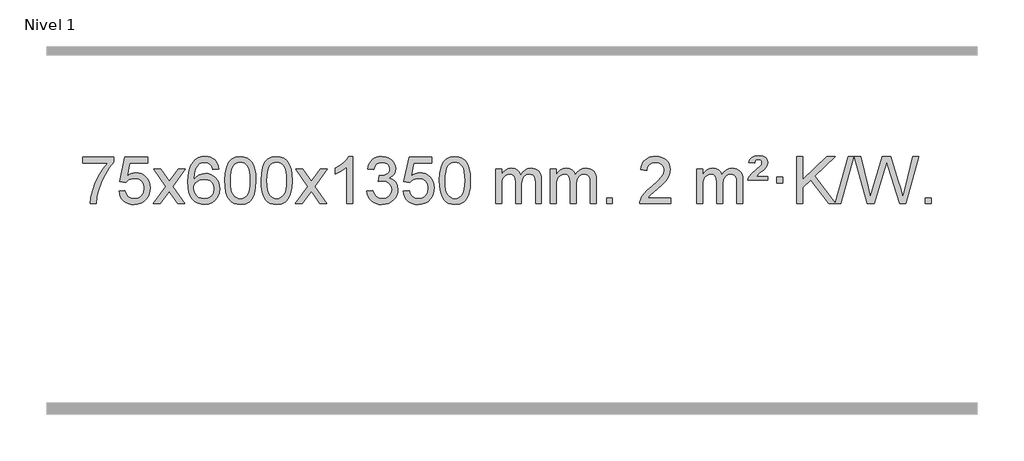
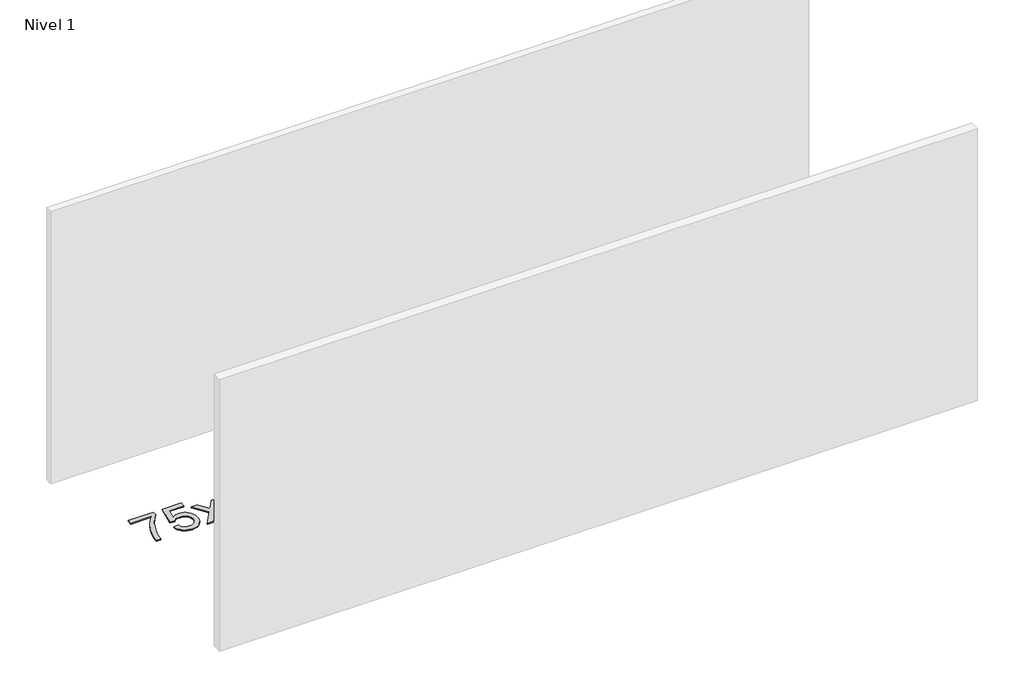
# One storey, part 18 of 25: 1 proxy.
"""IFC4 building model written with IfcOpenShell, lengths in millimetres."""

from ifc_helpers import new_model, si_unit, origin, origin_with_axes, place, context, project, spatial, polyline, outline, extrude, element, save

model = new_model("IFC4")

# Units and contexts
model_context = context("Model", 3, world=origin())
ifc_project = project(units=[si_unit("LENGTHUNIT", "METRE", prefix="MILLI")], contexts=[model_context])

# Site, building, storey
site = spatial("IfcSite", under=ifc_project)
building = spatial("IfcBuilding", under=site)
storey = spatial("IfcBuildingStorey", under=building, Name="Nivel 1", Elevation=0.0)

# Proxy
placement = place(None, origin())
element("IfcBuildingElementProxy", 1, Name="Texto de modelo 1", ObjectType="Texto de modelo 1", at=placement, inside=storey, context=model_context, shape_type="SweptSolid", body=[
    extrude(outline(polyline([(76.1355068, -15115.2608869), (76.1355068, -15065.0327318), (339.8333209, -15065.0327318), (339.8333209, -15105.646904), (302.2480437, -15153.214046), (265.0306485, -15213.7061088), (232.2033118, -15281.6048623), (207.7882101, -15351.3920768), (195.8197825, -15403.6067947), (189.1488557, -15460.579453), (138.9207006, -15460.579453), (144.3530914, -15408.8061935), (158.8844302, -15347.2717985), (182.1223096, -15282.0463207), (213.674322, -15219.1998132), (250.5115725, -15162.3865704), (289.6051658, -15115.2608869), (76.1355068, -15115.2608869)])), origin_with_axes(), (0.0, 0.0, 1.0), 10.0),
    extrude(outline(polyline([(383.7829566, -15353.8446235), (434.0111117, -15347.5661041), (443.232687, -15377.7201649), (459.3213929, -15399.3148381), (482.203653, -15412.3010725), (511.8058909, -15416.6298173), (530.9357547, -15415.1245668), (547.8092755, -15410.6088153), (562.4264534, -15403.0825628), (574.7872885, -15392.5458094), (584.6158691, -15379.519721), (591.6362839, -15364.5254641), (597.2526157, -15328.6324441), (591.9919031, -15294.8363514), (585.4160125, -15280.9181493), (576.2097655, -15268.9865099), (564.3425055, -15259.4154467), (549.7835755, -15252.5789729), (512.5907058, -15247.1097939), (488.224655, -15249.2925604), (468.4939173, -15255.8408599), (452.7363052, -15265.8717757), (440.2896311, -15278.5023908), (390.061476, -15272.2238715), (434.0111117, -15065.0327318), (628.6452126, -15065.0327318), (628.6452126, -15115.2608869), (474.6252839, -15115.2608869), (453.0428735, -15225.919791), (470.7686544, -15213.2155994), (488.9236308, -15204.1411769), (507.5078029, -15198.6965234), (526.5211707, -15196.8816388), (550.9853234, -15199.1318504), (573.4629133, -15205.882485), (593.9539404, -15217.1335427), (612.4584048, -15232.8850234), (627.7806899, -15252.1743027), (638.7251792, -15274.038756), (645.2918729, -15298.4783832), (647.4807707, -15325.4931844), (645.5126021, -15351.5147042), (639.608096, -15375.7213394), (629.7672527, -15398.1130902), (615.9900719, -15418.6899565), (595.1189001, -15439.7634634), (570.765112, -15454.8159684), (542.9287077, -15463.8474714), (511.6096872, -15466.8579724), (485.6893349, -15464.9235262), (462.2767116, -15459.1201877), (441.3718173, -15449.447957), (422.9746518, -15435.9068338), (407.6676951, -15419.1712688), (396.033427, -15399.915712), (388.0718475, -15378.1401636), (383.7829566, -15353.8446235)])), origin_with_axes(), (0.0, 0.0, 1.0), 10.0),
    extrude(outline(polyline([(672.5948483, -15460.579453), (779.918289, -15312.1513307), (678.8733677, -15165.4890419), (739.107913, -15165.4890419), (787.8645401, -15236.2204869), (810.7222747, -15269.4770192), (830.5388515, -15242.2047007), (886.0645073, -15165.4890419), (946.4952564, -15165.4890419), (840.3490381, -15312.2494325), (942.5711818, -15460.579453), (882.2385346, -15460.579453), (820.6305631, -15371.3067555), (809.4469505, -15354.923744), (733.0255973, -15460.579453), (672.5948483, -15460.579453)])), origin_with_axes(), (0.0, 0.0, 1.0), 10.0),
    extrude(outline(polyline([(1231.3830735, -15165.4890419), (1181.1549184, -15171.7675613), (1173.0615145, -15146.874213), (1162.1231565, -15129.8780648), (1139.3389983, -15114.2062918), (1111.7968996, -15108.9823675), (1088.4486556, -15112.0235253), (1066.4738378, -15121.1469988), (1047.6014914, -15140.3627017), (1032.1872358, -15166.8134171), (1021.7761754, -15204.227016), (1017.9134144, -15256.3313693), (1038.061085, -15232.8237098), (1062.2064066, -15216.2567573), (1089.0004786, -15206.434308), (1117.0944003, -15203.1601582), (1141.2274592, -15205.398107), (1163.4965826, -15212.1119534), (1183.9017706, -15223.3016975), (1202.4430232, -15238.9673391), (1217.8511474, -15258.1769106), (1228.8569504, -15279.9984443), (1235.4604323, -15304.4319401), (1237.6615929, -15331.4773982), (1233.5167891, -15367.4439945), (1221.0823776, -15400.786366), (1201.3884281, -15429.0642287), (1175.4650102, -15449.8372987), (1144.4893462, -15462.602804), (1109.6386585, -15466.8579724), (1079.6961298, -15464.0375437), (1052.6537375, -15455.5762579), (1028.5114816, -15441.4741147), (1007.269362, -15421.7311143), (989.9513171, -15395.5133908), (977.581285, -15361.9870783), (970.1592658, -15321.1521768), (967.6852593, -15273.0086864), (970.4321116, -15219.0342663), (978.6726683, -15172.9693092), (992.4069294, -15134.8138149), (1011.634895, -15104.5677835), (1032.4754101, -15084.5243462), (1056.6391258, -15070.2076052), (1084.1260422, -15061.6175606), (1114.9361593, -15058.7542124), (1138.0698054, -15060.5261773), (1159.0084223, -15065.8420722), (1177.7520099, -15074.7018969), (1194.3005684, -15087.1056515), (1208.2065078, -15102.6364031), (1219.0222384, -15120.8772186), (1226.7477603, -15141.8280983), (1231.3830735, -15165.4890419)]), holes=[polyline([(1017.9134144, -15330.6925832), (1020.8196822, -15352.9494439), (1029.5384855, -15374.2007605), (1043.0765429, -15392.472233), (1060.4405731, -15405.7895612), (1081.397584, -15413.9197533), (1105.7145839, -15416.6298173), (1138.8607517, -15411.0134855), (1152.7758882, -15403.9930708), (1164.9190597, -15394.1644901), (1174.7691001, -15381.9262824), (1181.8048433, -15367.6769865), (1187.4334378, -15333.1451299), (1181.8784197, -15299.9989621), (1174.934647, -15286.3781312), (1165.2133653, -15274.725469), (1153.0334056, -15265.3904634), (1138.7135989, -15258.7226022), (1103.6544448, -15253.3883133), (1070.5573279, -15258.7226022), (1042.8803391, -15274.725469), (1031.9573096, -15286.2248471), (1024.1551456, -15299.3858254), (1019.4738472, -15314.2084042), (1017.9134144, -15330.6925832)])]), origin_with_axes(), (0.0, 0.0, 1.0), 10.0),
    extrude(outline(polyline([(1281.6112286, -15262.9041943), (1285.3023112, -15198.5861588), (1296.3755593, -15147.2911459), (1314.7206081, -15108.2343407), (1326.5786711, -15093.0009605), (1340.2270931, -15080.6309284), (1355.7118594, -15071.0598651), (1373.0789553, -15064.2233914), (1413.4601356, -15058.7542124), (1444.4112742, -15061.991574), (1472.1250511, -15071.7036586), (1495.3016168, -15087.5103217), (1512.6411215, -15109.0314184), (1525.7377206, -15136.0830078), (1536.1855692, -15168.4811488), (1543.0281743, -15209.6226186), (1545.3090427, -15262.9041943), (1541.6547482, -15326.8543477), (1530.6918648, -15378.0267333), (1512.4571805, -15417.1203266), (1500.6267087, -15432.3996922), (1486.9874837, -15444.8341036), (1471.4843233, -15454.4695462), (1454.0620452, -15461.3520052), (1413.4601356, -15466.8579724), (1385.7954096, -15464.4667394), (1361.2699432, -15457.2930405), (1339.8837366, -15445.3368757), (1321.6367896, -15428.5982449), (1304.1256067, -15398.3399508), (1291.6176188, -15360.6381776), (1284.1128261, -15315.4929255), (1281.6112286, -15262.9041943)]), holes=[polyline([(1331.8393836, -15262.8060924), (1333.3109116, -15306.4706195), (1337.7254956, -15341.8148822), (1345.0831355, -15368.8388804), (1355.3838313, -15387.5426142), (1367.8427682, -15400.2682656), (1381.6751312, -15409.3580165), (1396.8809204, -15414.8118671), (1413.4601356, -15416.6298173), (1430.0393509, -15414.8057357), (1445.24514, -15409.3334911), (1459.077503, -15400.2130833), (1471.5364399, -15387.4445124), (1481.8371358, -15368.7101217), (1489.1947757, -15341.6922549), (1493.6093596, -15306.3909118), (1495.0808876, -15262.8060924), (1493.6584106, -15220.2973278), (1489.3909794, -15185.5753989), (1482.2785942, -15158.6403055), (1472.3212549, -15139.4920476), (1460.0707844, -15126.1440625), (1446.0790059, -15116.6097875), (1430.3459192, -15110.8892225), (1412.8715244, -15108.9823675), (1396.3781483, -15110.6623619), (1381.4298766, -15115.7023452), (1368.0267092, -15124.1023175), (1356.1686462, -15135.8622786), (1345.5245938, -15156.708925), (1337.9216993, -15184.8151094), (1333.3599625, -15220.1808319), (1331.8393836, -15262.8060924)])]), origin_with_axes(), (0.0, 0.0, 1.0), 10.0),
    extrude(outline(polyline([(1589.2586784, -15262.9041943), (1592.9497611, -15198.5861588), (1604.0230091, -15147.2911459), (1622.368058, -15108.2343407), (1634.2261209, -15093.0009605), (1647.874543, -15080.6309284), (1663.3593093, -15071.0598651), (1680.7264051, -15064.2233914), (1721.1075855, -15058.7542124), (1752.058724, -15061.991574), (1779.772501, -15071.7036586), (1802.9490667, -15087.5103217), (1820.2885714, -15109.0314184), (1833.3851704, -15136.0830078), (1843.833019, -15168.4811488), (1850.6756242, -15209.6226186), (1852.9564925, -15262.9041943), (1849.302198, -15326.8543477), (1838.3393146, -15378.0267333), (1820.1046304, -15417.1203266), (1808.2741585, -15432.3996922), (1794.6349336, -15444.8341036), (1779.1317731, -15454.4695462), (1761.709495, -15461.3520052), (1721.1075855, -15466.8579724), (1693.4428594, -15464.4667394), (1668.9173931, -15457.2930405), (1647.5311864, -15445.3368757), (1629.2842395, -15428.5982449), (1611.7730565, -15398.3399508), (1599.2650687, -15360.6381776), (1591.760276, -15315.4929255), (1589.2586784, -15262.9041943)]), holes=[polyline([(1639.4868335, -15262.8060924), (1640.9583614, -15306.4706195), (1645.3729454, -15341.8148822), (1652.7305853, -15368.8388804), (1663.0312812, -15387.5426142), (1675.4902181, -15400.2682656), (1689.3225811, -15409.3580165), (1704.5283702, -15414.8118671), (1721.1075855, -15416.6298173), (1737.6868007, -15414.8057357), (1752.8925898, -15409.3334911), (1766.7249529, -15400.2130833), (1779.1838898, -15387.4445124), (1789.4845856, -15368.7101217), (1796.8422255, -15341.6922549), (1801.2568095, -15306.3909118), (1802.7283375, -15262.8060924), (1801.3058604, -15220.2973278), (1797.0384293, -15185.5753989), (1789.926044, -15158.6403055), (1779.9687047, -15139.4920476), (1767.7182342, -15126.1440625), (1753.7264557, -15116.6097875), (1737.993369, -15110.8892225), (1720.5189743, -15108.9823675), (1704.0255981, -15110.6623619), (1689.0773264, -15115.7023452), (1675.6741591, -15124.1023175), (1663.8160961, -15135.8622786), (1653.1720437, -15156.708925), (1645.5691491, -15184.8151094), (1641.0074124, -15220.1808319), (1639.4868335, -15262.8060924)])]), origin_with_axes(), (0.0, 0.0, 1.0), 10.0),
    extrude(outline(polyline([(1878.0705701, -15460.579453), (1985.3940108, -15312.1513307), (1884.3490895, -15165.4890419), (1944.5836348, -15165.4890419), (1993.3402619, -15236.2204869), (2016.1979965, -15269.4770192), (2036.0145733, -15242.2047007), (2091.5402291, -15165.4890419), (2151.9709782, -15165.4890419), (2045.8247599, -15312.2494325), (2148.0469036, -15460.579453), (2087.7142564, -15460.579453), (2026.1062849, -15371.3067555), (2014.9226723, -15354.923744), (1938.5013191, -15460.579453), (1878.0705701, -15460.579453)])), origin_with_axes(), (0.0, 0.0, 1.0), 10.0),
    extrude(outline(polyline([(2367.795082, -15460.579453), (2317.566927, -15460.579453), (2317.566927, -15147.4382987), (2296.5976532, -15164.3976587), (2269.9875223, -15181.3324932), (2217.1106168, -15206.6918254), (2217.1106168, -15159.2105225), (2256.5598294, -15137.7507395), (2290.7360668, -15112.219729), (2317.6772916, -15085.0700378), (2335.4214665, -15058.7542124), (2367.795082, -15058.7542124), (2367.795082, -15460.579453)])), origin_with_axes(), (0.0, 0.0, 1.0), 10.0),
    extrude(outline(polyline([(2487.0869503, -15353.8446235), (2537.3151054, -15347.5661041), (2548.5600317, -15379.1303793), (2565.0288824, -15400.4430095), (2587.5309978, -15412.5831154), (2616.8757182, -15416.6298173), (2651.309473, -15411.0625364), (2665.5832944, -15404.1034354), (2677.8950785, -15394.3606939), (2694.8912267, -15369.4428201), (2700.5566094, -15339.2274455), (2694.9402776, -15310.5449126), (2678.0912822, -15287.2825078), (2652.5847972, -15271.8682522), (2620.9959966, -15266.730167), (2585.7774269, -15272.2238715), (2591.3692332, -15221.9957164), (2599.4135862, -15222.5843276), (2629.5063334, -15218.979084), (2656.41077, -15208.1633534), (2667.4840181, -15199.9841103), (2675.3934809, -15189.8673555), (2680.1391587, -15177.8130888), (2681.7210513, -15163.8213102), (2677.1347891, -15142.1285352), (2663.3760024, -15124.5315131), (2642.3822032, -15112.8696539), (2616.0909033, -15108.9823675), (2589.7505525, -15112.9064421), (2568.217193, -15124.6786659), (2552.4963691, -15144.299039), (2543.5936248, -15171.7675613), (2493.3654697, -15165.4890419), (2499.3190267, -15141.5092672), (2508.1543259, -15120.3867093), (2519.8713675, -15102.1213683), (2534.4701513, -15086.713244), (2551.490825, -15074.4811677), (2570.4735359, -15065.7439703), (2591.4182842, -15060.5016519), (2614.3250697, -15058.7542124), (2645.9016077, -15062.2000404), (2674.9029716, -15072.5375245), (2699.3548616, -15088.8469596), (2717.2829775, -15110.2086408), (2728.2826491, -15134.8199463), (2731.9492063, -15160.8782543), (2728.4665901, -15185.1584659), (2718.0187415, -15207.1823347), (2700.7528131, -15225.9443165), (2676.815958, -15240.4388671), (2708.2576058, -15253.1430586), (2731.5567989, -15274.77452), (2745.9777731, -15304.1560286), (2750.7847645, -15340.1103623), (2748.3812688, -15365.5923218), (2741.1707817, -15389.0631931), (2729.1533032, -15410.5229762), (2712.3288333, -15429.971671), (2691.8316748, -15446.1094278), (2668.7961305, -15457.636397), (2643.2222005, -15464.5525785), (2615.1098847, -15466.8579724), (2589.7015015, -15464.8898037), (2566.5494613, -15458.9852977), (2545.653764, -15449.1444543), (2527.0144096, -15435.3672736), (2511.3855561, -15418.4630959), (2499.5213618, -15399.2412617), (2491.4218265, -15377.7017708), (2487.0869503, -15353.8446235)])), origin_with_axes(), (0.0, 0.0, 1.0), 10.0),
    extrude(outline(polyline([(2794.7344002, -15353.8446235), (2844.9625553, -15347.5661041), (2854.1841306, -15377.7201649), (2870.2728365, -15399.3148381), (2893.1550966, -15412.3010725), (2922.7573345, -15416.6298173), (2941.8871983, -15415.1245668), (2958.7607191, -15410.6088153), (2973.377897, -15403.0825628), (2985.7387321, -15392.5458094), (2995.5673127, -15379.519721), (3002.5877275, -15364.5254641), (3008.2040592, -15328.6324441), (3002.9433467, -15294.8363514), (2996.3674561, -15280.9181493), (2987.1612091, -15268.9865099), (2975.2939491, -15259.4154467), (2960.7350191, -15252.5789729), (2923.5421494, -15247.1097939), (2899.1760986, -15249.2925604), (2879.4453609, -15255.8408599), (2863.6877488, -15265.8717757), (2851.2410746, -15278.5023908), (2801.0129196, -15272.2238715), (2844.9625553, -15065.0327318), (3039.5966562, -15065.0327318), (3039.5966562, -15115.2608869), (2885.5767275, -15115.2608869), (2863.9943171, -15225.919791), (2881.7200979, -15213.2155994), (2899.8750744, -15204.1411769), (2918.4592465, -15198.6965234), (2937.4726143, -15196.8816388), (2961.936767, -15199.1318504), (2984.4143569, -15205.882485), (3004.905384, -15217.1335427), (3023.4098484, -15232.8850234), (3038.7321335, -15252.1743027), (3049.6766228, -15274.038756), (3056.2433165, -15298.4783832), (3058.4322143, -15325.4931844), (3056.4640457, -15351.5147042), (3050.5595396, -15375.7213394), (3040.7186963, -15398.1130902), (3026.9415155, -15418.6899565), (3006.0703437, -15439.7634634), (2981.7165556, -15454.8159684), (2953.8801513, -15463.8474714), (2922.5611308, -15466.8579724), (2896.6407785, -15464.9235262), (2873.2281552, -15459.1201877), (2852.3232608, -15449.447957), (2833.9260954, -15435.9068338), (2818.6191387, -15419.1712688), (2806.9848706, -15399.915712), (2799.0232911, -15378.1401636), (2794.7344002, -15353.8446235)])), origin_with_axes(), (0.0, 0.0, 1.0), 10.0),
    extrude(outline(polyline([(3102.38185, -15262.9041943), (3106.0729327, -15198.5861588), (3117.1461808, -15147.2911459), (3135.4912296, -15108.2343407), (3147.3492926, -15093.0009605), (3160.9977146, -15080.6309284), (3176.4824809, -15071.0598651), (3193.8495767, -15064.2233914), (3234.2307571, -15058.7542124), (3265.1818956, -15061.991574), (3292.8956726, -15071.7036586), (3316.0722383, -15087.5103217), (3333.411743, -15109.0314184), (3346.508342, -15136.0830078), (3356.9561907, -15168.4811488), (3363.7987958, -15209.6226186), (3366.0796642, -15262.9041943), (3362.4253697, -15326.8543477), (3351.4624862, -15378.0267333), (3333.227802, -15417.1203266), (3321.3973302, -15432.3996922), (3307.7581052, -15444.8341036), (3292.2549448, -15454.4695462), (3274.8326666, -15461.3520052), (3234.2307571, -15466.8579724), (3206.566031, -15464.4667394), (3182.0405647, -15457.2930405), (3160.6543581, -15445.3368757), (3142.4074111, -15428.5982449), (3124.8962281, -15398.3399508), (3112.3882403, -15360.6381776), (3104.8834476, -15315.4929255), (3102.38185, -15262.9041943)]), holes=[polyline([(3152.6100051, -15262.8060924), (3154.0815331, -15306.4706195), (3158.496117, -15341.8148822), (3165.8537569, -15368.8388804), (3176.1544528, -15387.5426142), (3188.6133897, -15400.2682656), (3202.4457527, -15409.3580165), (3217.6515418, -15414.8118671), (3234.2307571, -15416.6298173), (3250.8099723, -15414.8057357), (3266.0157615, -15409.3334911), (3279.8481245, -15400.2130833), (3292.3070614, -15387.4445124), (3302.6077573, -15368.7101217), (3309.9653972, -15341.6922549), (3314.3799811, -15306.3909118), (3315.8515091, -15262.8060924), (3314.429032, -15220.2973278), (3310.1616009, -15185.5753989), (3303.0492157, -15158.6403055), (3293.0918763, -15139.4920476), (3280.8414059, -15126.1440625), (3266.8496273, -15116.6097875), (3251.1165407, -15110.8892225), (3233.6421459, -15108.9823675), (3217.1487698, -15110.6623619), (3202.200498, -15115.7023452), (3188.7973307, -15124.1023175), (3176.9392677, -15135.8622786), (3166.2952153, -15156.708925), (3158.6923207, -15184.8151094), (3154.130584, -15220.1808319), (3152.6100051, -15262.8060924)])]), origin_with_axes(), (0.0, 0.0, 1.0), 10.0),
    extrude(outline(polyline([(3579.5493232, -15460.579453), (3579.5493232, -15165.4890419), (3629.7774783, -15165.4890419), (3629.7774783, -15214.0494653), (3644.8851656, -15191.7435537), (3664.3093349, -15174.2691589), (3687.3877987, -15162.9751816), (3713.4583695, -15159.2105225), (3741.3928756, -15163.048758), (3763.7846264, -15174.5634645), (3780.5109945, -15192.9943524), (3791.4493524, -15217.5811324), (3809.7576131, -15192.0439906), (3830.6410477, -15173.803175), (3854.0996562, -15162.8586857), (3880.1334388, -15159.2105225), (3900.2412555, -15160.7280358), (3917.8903942, -15165.2805755), (3933.0808549, -15172.8681416), (3945.8126376, -15183.4907342), (3955.8772759, -15197.2709806), (3963.0663032, -15214.3315082), (3967.3797196, -15234.6723168), (3968.8175251, -15258.2934066), (3968.8175251, -15460.579453), (3918.58937, -15460.579453), (3918.58937, -15279.875817), (3917.4244103, -15254.8230531), (3913.9295314, -15237.9372695), (3907.3812319, -15226.3735121), (3897.0560105, -15217.2868268), (3883.7754705, -15211.4007149), (3868.3612149, -15209.4386776), (3841.15021, -15214.4663982), (3818.9669257, -15229.54956), (3810.3615527, -15241.1194488), (3804.2148577, -15255.7182326), (3799.2975017, -15294.0024856), (3799.2975017, -15460.579453), (3749.0693466, -15460.579453), (3749.0693466, -15274.2840106), (3746.1630788, -15245.8835206), (3737.4442756, -15225.6254854), (3722.1035964, -15213.4853796), (3699.3317009, -15209.4386776), (3679.9811079, -15212.1364789), (3662.1510939, -15220.2298828), (3647.4358141, -15233.5226856), (3637.4294238, -15251.8186835), (3631.6904647, -15277.2025411), (3629.7774783, -15311.7589232), (3629.7774783, -15460.579453), (3579.5493232, -15460.579453)])), origin_with_axes(), (0.0, 0.0, 1.0), 10.0),
    extrude(outline(polyline([(4044.1597577, -15460.579453), (4044.1597577, -15165.4890419), (4094.3879127, -15165.4890419), (4094.3879127, -15214.0494653), (4109.4956, -15191.7435537), (4128.9197694, -15174.2691589), (4151.9982332, -15162.9751816), (4178.0688039, -15159.2105225), (4206.0033101, -15163.048758), (4228.3950609, -15174.5634645), (4245.1214289, -15192.9943524), (4256.0597869, -15217.5811324), (4274.3680475, -15192.0439906), (4295.2514821, -15173.803175), (4318.7100907, -15162.8586857), (4344.7438732, -15159.2105225), (4364.8516899, -15160.7280358), (4382.5008286, -15165.2805755), (4397.6912893, -15172.8681416), (4410.4230721, -15183.4907342), (4420.4877103, -15197.2709806), (4427.6767376, -15214.3315082), (4431.990154, -15234.6723168), (4433.4279595, -15258.2934066), (4433.4279595, -15460.579453), (4383.1998044, -15460.579453), (4383.1998044, -15279.875817), (4382.0348448, -15254.8230531), (4378.5399658, -15237.9372695), (4371.9916663, -15226.3735121), (4361.666445, -15217.2868268), (4348.3859049, -15211.4007149), (4332.9716493, -15209.4386776), (4305.7606444, -15214.4663982), (4283.5773601, -15229.54956), (4274.9719871, -15241.1194488), (4268.8252921, -15255.7182326), (4263.9079361, -15294.0024856), (4263.9079361, -15460.579453), (4213.679781, -15460.579453), (4213.679781, -15274.2840106), (4210.7735133, -15245.8835206), (4202.05471, -15225.6254854), (4186.7140308, -15213.4853796), (4163.9421353, -15209.4386776), (4144.5915424, -15212.1364789), (4126.7615283, -15220.2298828), (4112.0462485, -15233.5226856), (4102.0398582, -15251.8186835), (4096.3008991, -15277.2025411), (4094.3879127, -15311.7589232), (4094.3879127, -15460.579453), (4044.1597577, -15460.579453)])), origin_with_axes(), (0.0, 0.0, 1.0), 10.0),
    extrude(outline(polyline([(4521.3272309, -15460.579453), (4521.3272309, -15410.3512979), (4571.555386, -15410.3512979), (4571.555386, -15460.579453), (4521.3272309, -15460.579453)])), origin_with_axes(), (0.0, 0.0, 1.0), 10.0),
    extrude(outline(polyline([(5067.5584173, -15410.3512979), (5067.5584173, -15460.579453), (4803.8606032, -15460.579453), (4804.9642492, -15442.8965918), (4809.2562058, -15425.9494945), (4821.653829, -15398.8856424), (4839.8149368, -15372.6311307), (4866.0694486, -15345.1503456), (4902.7472835, -15314.4076736), (4956.9363014, -15266.2641831), (4989.4202815, -15230.7267824), (5005.6438775, -15201.884834), (5011.0517429, -15173.8277005), (5005.9381831, -15148.6768347), (4990.5975039, -15127.7688747), (4967.016268, -15113.6789943), (4937.1810382, -15108.9823675), (4905.849755, -15113.5686297), (4881.5082296, -15127.3274163), (4865.7996684, -15149.1796068), (4860.3672776, -15178.0460807), (4810.1391226, -15171.7675613), (4814.4586703, -15145.838012), (4822.3160166, -15123.1826125), (4833.7111614, -15103.8013627), (4848.6441047, -15087.6942627), (4866.77149, -15075.0329907), (4887.7499608, -15065.989225), (4911.579517, -15060.5629655), (4938.2601587, -15058.7542124), (4965.1799237, -15060.7653006), (4989.1382387, -15066.7985654), (5010.1351036, -15076.8540066), (5028.1705184, -15090.9316242), (5042.6558719, -15107.9890861), (5053.002553, -15126.9840598), (5059.2105617, -15147.9165453), (5061.2798979, -15170.7865427), (5059.0480805, -15194.8092369), (5052.3526282, -15218.4149983), (5040.4700397, -15242.4254299), (5022.6768139, -15267.6621347), (4994.3131121, -15297.7916701), (4950.7190956, -15336.4805933), (4892.9370969, -15384.795762), (4870.275566, -15410.3512979), (5067.5584173, -15410.3512979)])), origin_with_axes(), (0.0, 0.0, 1.0), 10.0),
    extrude(outline(polyline([(5287.3065958, -15460.579453), (5287.3065958, -15165.4890419), (5337.5347508, -15165.4890419), (5337.5347508, -15214.0494653), (5352.6424381, -15191.7435537), (5372.0666075, -15174.2691589), (5395.1450713, -15162.9751816), (5421.215642, -15159.2105225), (5449.1501482, -15163.048758), (5471.541899, -15174.5634645), (5488.268267, -15192.9943524), (5499.206625, -15217.5811324), (5517.5148856, -15192.0439906), (5538.3983202, -15173.803175), (5561.8569288, -15162.8586857), (5587.8907113, -15159.2105225), (5607.998528, -15160.7280358), (5625.6476667, -15165.2805755), (5640.8381275, -15172.8681416), (5653.5699102, -15183.4907342), (5663.6345484, -15197.2709806), (5670.8235757, -15214.3315082), (5675.1369921, -15234.6723168), (5676.5747976, -15258.2934066), (5676.5747976, -15460.579453), (5626.3466425, -15460.579453), (5626.3466425, -15279.875817), (5625.1816829, -15254.8230531), (5621.6868039, -15237.9372695), (5615.1385044, -15226.3735121), (5604.8132831, -15217.2868268), (5591.532743, -15211.4007149), (5576.1184874, -15209.4386776), (5548.9074825, -15214.4663982), (5526.7241982, -15229.54956), (5518.1188252, -15241.1194488), (5511.9721302, -15255.7182326), (5507.0547742, -15294.0024856), (5507.0547742, -15460.579453), (5456.8266191, -15460.579453), (5456.8266191, -15274.2840106), (5453.9203514, -15245.8835206), (5445.2015481, -15225.6254854), (5429.8608689, -15213.4853796), (5407.0889734, -15209.4386776), (5387.7383805, -15212.1364789), (5369.9083664, -15220.2298828), (5355.1930866, -15233.5226856), (5345.1866963, -15251.8186835), (5339.4477372, -15277.2025411), (5337.5347508, -15311.7589232), (5337.5347508, -15460.579453), (5287.3065958, -15460.579453)])), origin_with_axes(), (0.0, 0.0, 1.0), 10.0),
    extrude(outline(polyline([(5720.5244333, -15259.6668327), (5724.350406, -15243.8479069), (5732.6890646, -15227.9799302), (5754.1978986, -15202.8413272), (5786.1545812, -15175.1030247), (5830.3004206, -15137.726214), (5837.4373314, -15126.1992448), (5839.8163016, -15114.3779701), (5837.9278407, -15102.2869152), (5832.262458, -15092.5012541), (5822.8937298, -15086.026531), (5809.8952327, -15083.8682899), (5797.4608212, -15085.4869707), (5788.6071279, -15090.343013), (5782.1814557, -15099.8098431), (5777.0311077, -15115.2608869), (5726.8029527, -15108.9823675), (5737.6432088, -15083.7701881), (5754.271475, -15066.2099542), (5778.0366519, -15055.9092583), (5810.2876401, -15052.475693), (5846.0702955, -15056.6082341), (5870.8164911, -15069.0058573), (5885.2374653, -15087.3386434), (5890.0444567, -15109.2766731), (5885.9487038, -15132.1834586), (5873.6614451, -15153.8149199), (5853.1336298, -15173.6314968), (5816.6642614, -15201.6886303), (5791.0596745, -15228.2742358), (5890.0444567, -15228.2742358), (5890.0444567, -15259.6668327), (5720.5244333, -15259.6668327)])), origin_with_axes(), (0.0, 0.0, 1.0), 10.0),
    extrude(outline(polyline([(5965.3866893, -15284.7809102), (5965.3866893, -15234.5527552), (6015.6148444, -15234.5527552), (6015.6148444, -15284.7809102), (5965.3866893, -15284.7809102)])), origin_with_axes(), (0.0, 0.0, 1.0), 10.0),
    extrude(outline(polyline([(6406.2564723, -15460.579453), (6252.727053, -15257.9009991), (6185.1348677, -15322.4520265), (6185.1348677, -15460.579453), (6134.9067127, -15460.579453), (6134.9067127, -15058.7542124), (6185.1348677, -15058.7542124), (6185.1348677, -15255.4484525), (6391.148785, -15058.7542124), (6461.3897206, -15058.7542124), (6288.3380301, -15223.9577537), (6463.0890636, -15454.5373449), (6574.4030696, -15058.7542124), (6619.9223351, -15058.7542124), (6506.8108843, -15460.579453), (6467.66824, -15460.579453), (6461.3897206, -15460.579453), (6406.2564723, -15460.579453)])), origin_with_axes(), (0.0, 0.0, 1.0), 10.0),
    extrude(outline(polyline([(6734.2110083, -15460.579453), (6624.6312246, -15058.7542124), (6676.4290096, -15058.7542124), (6739.9990183, -15322.844434), (6759.6193914, -15404.3670841), (6780.6131906, -15332.2622131), (6860.2719053, -15058.7542124), (6934.9274248, -15058.7542124), (6992.8075254, -15257.0180823), (7017.6027719, -15330.5944814), (7035.8742443, -15404.3670841), (7054.9060062, -15325.1988788), (7118.9665243, -15058.7542124), (7170.8624111, -15058.7542124), (7061.3807293, -15460.579453), (7007.6209071, -15460.579453), (6911.1867734, -15150.5775584), (6897.7468179, -15107.3146358), (6882.6391306, -15159.4067263), (6794.8379611, -15460.579453), (6734.2110083, -15460.579453)])), origin_with_axes(), (0.0, 0.0, 1.0), 10.0),
    extrude(outline(polyline([(7227.3690855, -15460.579453), (7227.3690855, -15410.3512979), (7277.5972406, -15410.3512979), (7277.5972406, -15460.579453), (7227.3690855, -15460.579453)])), origin_with_axes(), (0.0, 0.0, 1.0), 10.0),
])

save(model, "model.ifc")
